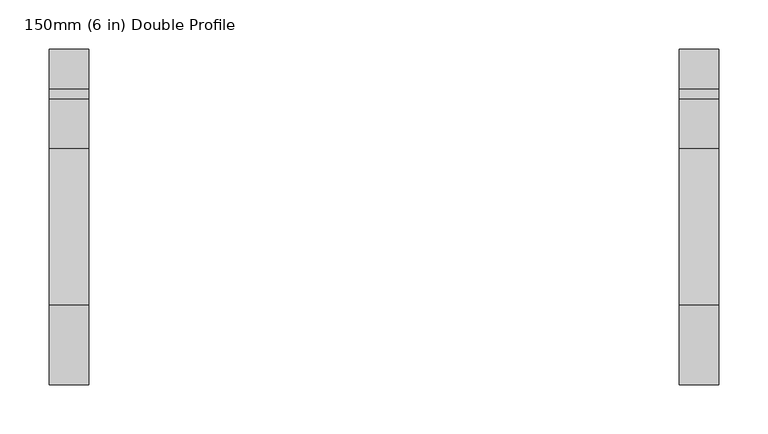
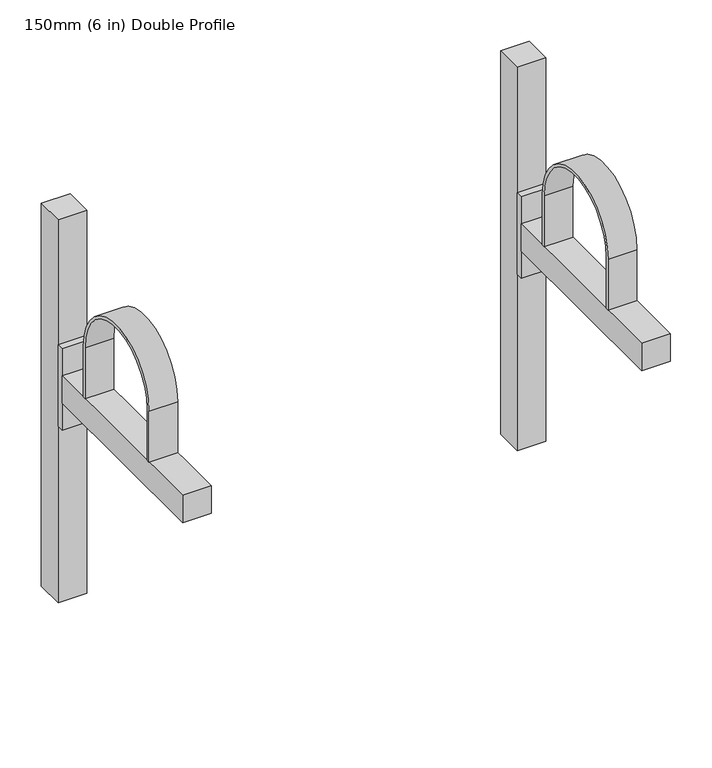
"""IFC4 building model written with IfcOpenShell, lengths in millimetres: proxy geometry, 150mm (6 in) Double Profile."""

from ifc_helpers import new_model, si_unit, point, frame, frame_2d, origin, origin_with_axes, place, context, project, spatial, polyline, circle_curve, trimmed, segment, composite_curve, outline, extrude, source, transform, mapped, element, save


def proxy_150mm_6_in_double_profile_bd81f299(model_context):
    return source(origin(), model_context, "Body", "SweptSolid", [
        extrude(outline(composite_curve([segment(polyline([(-255.0, 415.0), (-255.0, 340.0), (-259.0, 340.0), (-259.0, 415.0)]), True, "CONTINUOUS"), segment(trimmed(circle_curve(frame_2d((-180.0, 415.0)), 79.0), [point((-259.0, 415.0))], [point((-101.0, 415.0))], False, "CARTESIAN"), True, "CONTINUOUS"), segment(polyline([(-101.0, 415.0), (-101.0, 340.0), (-105.0, 340.0), (-105.0, 415.0)]), True, "CONTINUOUS"), segment(trimmed(circle_curve(frame_2d((-180.0, 415.0)), 75.0), [point((-105.0, 415.0))], [point((-255.0, 415.0))], True, "CARTESIAN"), True, "CONTINUOUS")], self_intersect=False)), frame((618.9933975, 0.0, 0.0), z_axis=(1.0, 0.0, 0.0), x_axis=(0.0, 1.0, 0.0)), (0.0, 0.0, 1.0), 40.0),
        extrude(outline(polyline([(658.9933975, -50.0), (658.9933975, -340.0), (618.9933975, -340.0), (618.9933975, -50.0), (658.9933975, -50.0)])), frame((0.0, 0.0, 300.0), z_axis=(0.0, 0.0, 1.0), x_axis=(1.0, 0.0, 0.0)), (0.0, 0.0, 1.0), 40.0),
        extrude(outline(polyline([(658.9933975, -40.0), (658.9933975, -50.0), (618.9933975, -50.0), (618.9933975, -40.0), (658.9933975, -40.0)])), frame((0.0, 0.0, 260.0), z_axis=(0.0, 0.0, 1.0), x_axis=(1.0, 0.0, 0.0)), (0.0, 0.0, 1.0), 120.0),
        extrude(outline(polyline([(658.9933975, 0.0), (658.9933975, -40.0), (618.9933975, -40.0), (618.9933975, 0.0), (658.9933975, 0.0)])), origin_with_axes(), (0.0, 0.0, 1.0), 564.1051687),
        extrude(outline(composite_curve([segment(polyline([(-255.0, 415.0), (-255.0, 340.0), (-259.0, 340.0), (-259.0, 415.0)]), True, "CONTINUOUS"), segment(trimmed(circle_curve(frame_2d((-180.0, 415.0)), 79.0), [point((-259.0, 415.0))], [point((-101.0, 415.0))], False, "CARTESIAN"), True, "CONTINUOUS"), segment(polyline([(-101.0, 415.0), (-101.0, 340.0), (-105.0, 340.0), (-105.0, 415.0)]), True, "CONTINUOUS"), segment(trimmed(circle_curve(frame_2d((-180.0, 415.0)), 75.0), [point((-105.0, 415.0))], [point((-255.0, 415.0))], True, "CARTESIAN"), True, "CONTINUOUS")], self_intersect=False)), frame((-20.0, 0.0, 0.0), z_axis=(1.0, 0.0, 0.0), x_axis=(0.0, 1.0, 0.0)), (0.0, 0.0, 1.0), 40.0),
        extrude(outline(polyline([(20.0, -50.0), (20.0, -340.0), (-20.0, -340.0), (-20.0, -50.0), (20.0, -50.0)])), frame((0.0, 0.0, 300.0), z_axis=(0.0, 0.0, 1.0), x_axis=(1.0, 0.0, 0.0)), (0.0, 0.0, 1.0), 40.0),
        extrude(outline(polyline([(20.0, -40.0), (20.0, -50.0), (-20.0, -50.0), (-20.0, -40.0), (20.0, -40.0)])), frame((0.0, 0.0, 260.0), z_axis=(0.0, 0.0, 1.0), x_axis=(1.0, 0.0, 0.0)), (0.0, 0.0, 1.0), 120.0),
        extrude(outline(polyline([(20.0, 0.0), (20.0, -40.0), (-20.0, -40.0), (-20.0, 0.0), (20.0, 0.0)])), origin_with_axes(), (0.0, 0.0, 1.0), 564.1051687),
    ])


if __name__ == "__main__":
    model = new_model("IFC4")
    model_context = context("Model", 3, world=origin())
    ifc_project = project(units=[si_unit("LENGTHUNIT", "METRE", prefix="MILLI")], contexts=[model_context])
    site = spatial("IfcSite", under=ifc_project)
    building = spatial("IfcBuilding", under=site)
    placement = place(None, origin())
    proxy_150mm_6_in_double_profile_shape = proxy_150mm_6_in_double_profile_bd81f299(model_context)
    element("IfcBuildingElementProxy", 1, Name="150mm (6 in) Double Profile", ObjectType="150mm (6 in) Double Profile", at=placement, inside=building, context=model_context, shape_type="MappedRepresentation", body=[
        mapped(proxy_150mm_6_in_double_profile_shape, transform((0.0, 0.0, 0.0), x_axis=(1.0, 0.0, 0.0), y_axis=(0.0, 1.0, 0.0), z_axis=(0.0, 0.0, 1.0))),
    ])
    save(model, "model.ifc")
